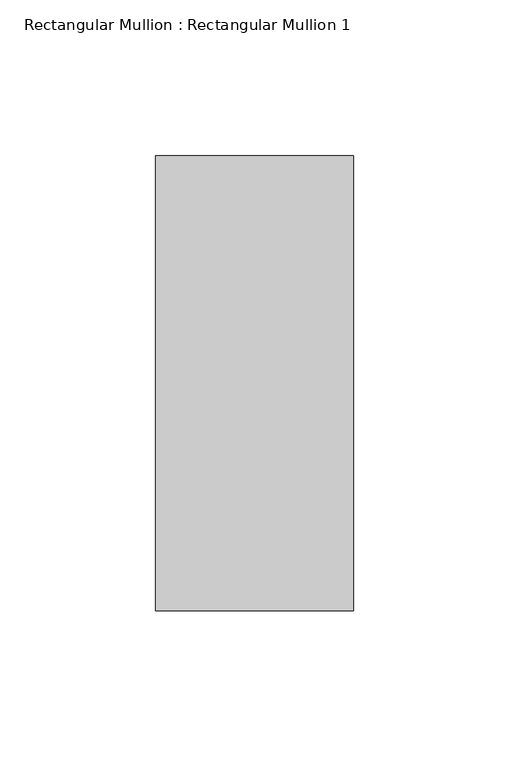
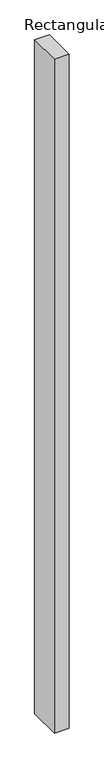
"""IFC4 building model written with IfcOpenShell, lengths in millimetres: member geometry, Rectangular Mullion : Rectangular Mullion 1."""

from ifc_helpers import new_model, si_unit, frame, origin, place, context, project, spatial, polyline, outline, extrude, source, transform, mapped, element, save


def rectangular_mullion_rectangular_mullion_1_84d5909e(model_context):
    return source(origin(), model_context, "Body", "SweptSolid", [
        extrude(outline(polyline([(31.75, 73.025), (31.75, -73.025), (-31.75, -73.025), (-31.75, 73.025), (31.75, 73.025)])), frame((0.0, 0.0, -3048.0), z_axis=(0.0, 0.0, 1.0), x_axis=(1.0, 0.0, 0.0)), (0.0, 0.0, 1.0), 3048.0),
    ])


if __name__ == "__main__":
    model = new_model("IFC4")
    model_context = context("Model", 3, world=origin())
    ifc_project = project(units=[si_unit("LENGTHUNIT", "METRE", prefix="MILLI")], contexts=[model_context])
    site = spatial("IfcSite", under=ifc_project)
    building = spatial("IfcBuilding", under=site)
    placement = place(None, origin())
    rectangular_mullion_rectangular_mullion_1_shape = rectangular_mullion_rectangular_mullion_1_84d5909e(model_context)
    element("IfcMember", 1, ObjectType="Rectangular Mullion : Rectangular Mullion 1", at=placement, inside=building, context=model_context, shape_type="MappedRepresentation", body=[
        mapped(rectangular_mullion_rectangular_mullion_1_shape, transform((0.0, 0.0, 0.0), x_axis=(1.0, 0.0, 0.0), y_axis=(0.0, 1.0, 0.0), z_axis=(0.0, 0.0, 1.0))),
    ])
    save(model, "model.ifc")
